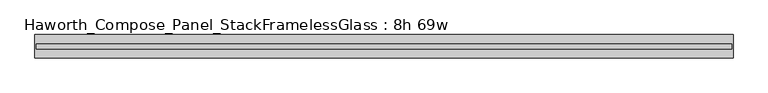
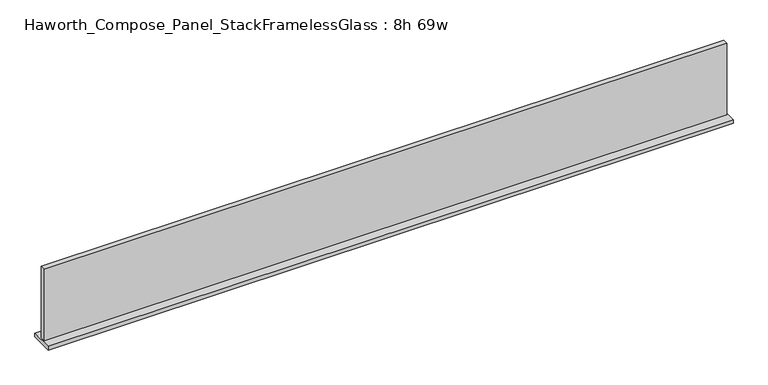
"""IFC4 building model written with IfcOpenShell, lengths in millimetres: furniture geometry, Haworth_Compose_Panel_StackFramelessGlass : 8h 69w."""

from ifc_helpers import new_model, si_unit, frame, origin, place, context, project, spatial, polyline, outline, extrude, source, transform, mapped, element, save


def haworth_compose_panel_stackframelessglass_8h_69w_ec4b7149(model_context):
    return source(origin(), model_context, "Body", "SweptSolid", [
        extrude(outline(polyline([(875.5652902, -27.3093594), (-870.6847098, -27.3093594), (-870.6847098, -14.6093594), (875.5652902, -14.6093594), (875.5652902, -27.3093594)])), frame((0.0, 0.0, 1279.525), z_axis=(0.0, 0.0, 1.0), x_axis=(1.0, 0.0, 0.0)), (0.0, 0.0, 1.0), 193.675),
        extrude(outline(polyline([(-873.8597098, -50.3281094), (-873.8597098, 8.4093906), (878.7402902, 8.4093906), (878.7402902, -50.3281094), (-873.8597098, -50.3281094)])), frame((0.0, 0.0, 1270.0), z_axis=(0.0, 0.0, 1.0), x_axis=(1.0, 0.0, 0.0)), (0.0, 0.0, 1.0), 9.525),
    ])


if __name__ == "__main__":
    model = new_model("IFC4")
    model_context = context("Model", 3, world=origin())
    ifc_project = project(units=[si_unit("LENGTHUNIT", "METRE", prefix="MILLI")], contexts=[model_context])
    site = spatial("IfcSite", under=ifc_project)
    building = spatial("IfcBuilding", under=site)
    placement = place(None, origin())
    haworth_compose_panel_stackframelessglass_8h_69w_shape = haworth_compose_panel_stackframelessglass_8h_69w_ec4b7149(model_context)
    element("IfcFurniture", 1, ObjectType="Haworth_Compose_Panel_StackFramelessGlass : 8h 69w", at=placement, inside=building, context=model_context, shape_type="MappedRepresentation", body=[
        mapped(haworth_compose_panel_stackframelessglass_8h_69w_shape, transform((0.0, 0.0, 0.0), x_axis=(1.0, 0.0, 0.0), y_axis=(0.0, 1.0, 0.0), z_axis=(0.0, 0.0, 1.0))),
    ])
    save(model, "model.ifc")
